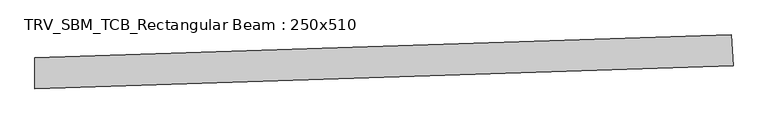
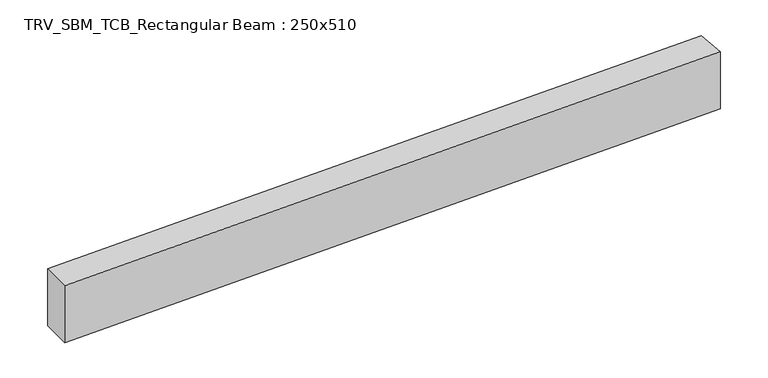
"""IFC4 building model written with IfcOpenShell, lengths in millimetres: beam geometry, TRV_SBM_TCB_Rectangular Beam : 250x510."""

from ifc_helpers import new_model, si_unit, point, frame, frame_2d, origin, place, context, project, spatial, polyline, circle_curve, trimmed, segment, composite_curve, outline, extrude, source, transform, mapped, element, save


def trv_sbm_tcb_rectangular_beam_250x510_e1d900fd(model_context):
    return source(origin(), model_context, "Body", "SweptSolid", [
        extrude(outline(composite_curve([segment(polyline([(5629.2041277, 311.6484865), (5645.7645069, 62.1975819)]), True, "CONTINUOUS"), segment(trimmed(circle_curve(frame_2d((0.0, 85105.0)), 85230.0), [point((5645.7645069, 62.1975819))], [point((-12.7207172, -124.9990507))], False, "CARTESIAN"), True, "CONTINUOUS"), segment(polyline([(-12.7207172, -124.9990507), (-12.6834043, 125.0009465)]), True, "CONTINUOUS"), segment(trimmed(circle_curve(frame_2d((0.0, 85105.0)), 84980.0), [point((-12.6834043, 125.0009465))], [point((5629.2041277, 311.6484865))], True, "CARTESIAN"), True, "CONTINUOUS")], self_intersect=False)), frame((0.0, 0.0, -255.0), z_axis=(0.0, 0.0, 1.0), x_axis=(1.0, 0.0, 0.0)), (0.0, 0.0, 1.0), 510.0),
    ])


if __name__ == "__main__":
    model = new_model("IFC4")
    model_context = context("Model", 3, world=origin())
    ifc_project = project(units=[si_unit("LENGTHUNIT", "METRE", prefix="MILLI")], contexts=[model_context])
    site = spatial("IfcSite", under=ifc_project)
    building = spatial("IfcBuilding", under=site)
    placement = place(None, origin())
    trv_sbm_tcb_rectangular_beam_250x510_shape = trv_sbm_tcb_rectangular_beam_250x510_e1d900fd(model_context)
    element("IfcBeam", 1, ObjectType="TRV_SBM_TCB_Rectangular Beam : 250x510", at=placement, inside=building, context=model_context, shape_type="MappedRepresentation", body=[
        mapped(trv_sbm_tcb_rectangular_beam_250x510_shape, transform((0.0, 0.0, 0.0), x_axis=(1.0, 0.0, 0.0), y_axis=(0.0, 1.0, 0.0), z_axis=(0.0, 0.0, 1.0))),
    ])
    save(model, "model.ifc")
